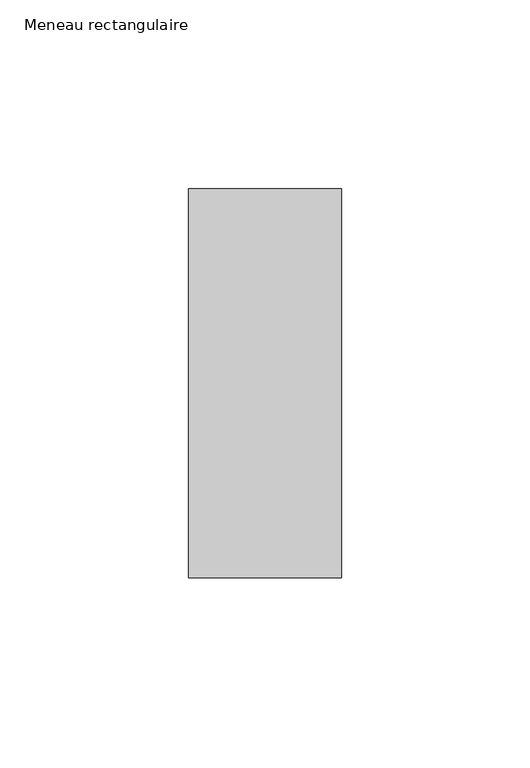
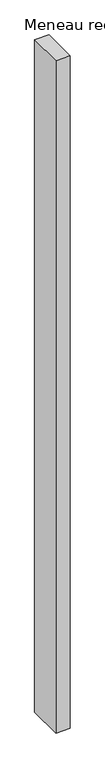
"""IFC4 building model written with IfcOpenShell, lengths in millimetres: member geometry, Meneau rectangulaire."""

from ifc_helpers import new_model, si_unit, frame, origin, place, context, project, spatial, polyline, outline, extrude, source, transform, mapped, element, save


def meneau_rectangulaire_5895a497(model_context):
    return source(origin(), model_context, "Body", "SweptSolid", [
        extrude(outline(polyline([(0.0, -51.4913803), (-40.4444905, -51.4913803), (-40.4444905, 51.5), (0.0, 51.5), (0.0, -51.4913803)])), frame((0.0, 0.0, -2000.0), z_axis=(0.0, 0.0, 1.0), x_axis=(1.0, 0.0, 0.0)), (0.0, 0.0, 1.0), 2000.0),
    ])


if __name__ == "__main__":
    model = new_model("IFC4")
    model_context = context("Model", 3, world=origin())
    ifc_project = project(units=[si_unit("LENGTHUNIT", "METRE", prefix="MILLI")], contexts=[model_context])
    site = spatial("IfcSite", under=ifc_project)
    building = spatial("IfcBuilding", under=site)
    placement = place(None, origin())
    meneau_rectangulaire_shape = meneau_rectangulaire_5895a497(model_context)
    element("IfcMember", 1, ObjectType="Meneau rectangulaire", at=placement, inside=building, context=model_context, shape_type="MappedRepresentation", body=[
        mapped(meneau_rectangulaire_shape, transform((0.0, 0.0, 0.0), x_axis=(1.0, 0.0, 0.0), y_axis=(0.0, 1.0, 0.0), z_axis=(0.0, 0.0, 1.0))),
    ])
    save(model, "model.ifc")
